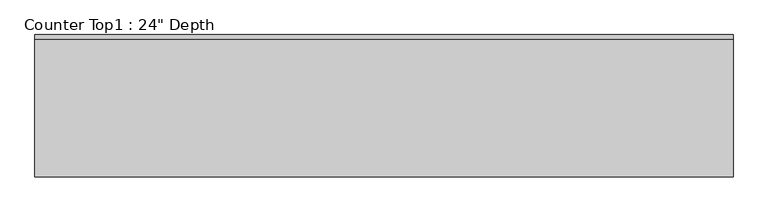
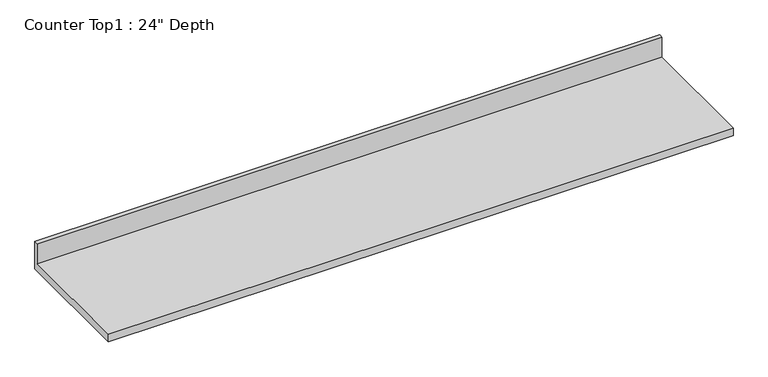
"""IFC4 building model written with IfcOpenShell, lengths in millimetres: furniture geometry."""

from ifc_helpers import new_model, si_unit, frame, origin, place, context, project, spatial, polyline, outline, extrude, source, transform, mapped, element, save


def furniture_8591cd05(model_context):
    return source(origin(), model_context, "Body", "SweptSolid", [
        extrude(outline(polyline([(0.0, 1016.0), (0.0, 876.3), (-609.6, 876.3), (-609.6, 914.4), (-19.05, 914.4), (-19.05, 1016.0), (0.0, 1016.0)])), frame((-1200.4622951, 0.0, 0.0), z_axis=(1.0, 0.0, 0.0), x_axis=(0.0, 1.0, 0.0)), (0.0, 0.0, 1.0), 2990.3409403),
    ])


if __name__ == "__main__":
    model = new_model("IFC4")
    model_context = context("Model", 3, world=origin())
    ifc_project = project(units=[si_unit("LENGTHUNIT", "METRE", prefix="MILLI")], contexts=[model_context])
    site = spatial("IfcSite", under=ifc_project)
    building = spatial("IfcBuilding", under=site)
    placement = place(None, origin())
    furniture_shape = furniture_8591cd05(model_context)
    element("IfcFurniture", 1, ObjectType="Counter Top1 : 24\" Depth", at=placement, inside=building, context=model_context, shape_type="MappedRepresentation", body=[
        mapped(furniture_shape, transform((0.0, 0.0, 0.0), x_axis=(1.0, 0.0, 0.0), y_axis=(0.0, 1.0, 0.0), z_axis=(0.0, 0.0, 1.0))),
    ])
    save(model, "model.ifc")
